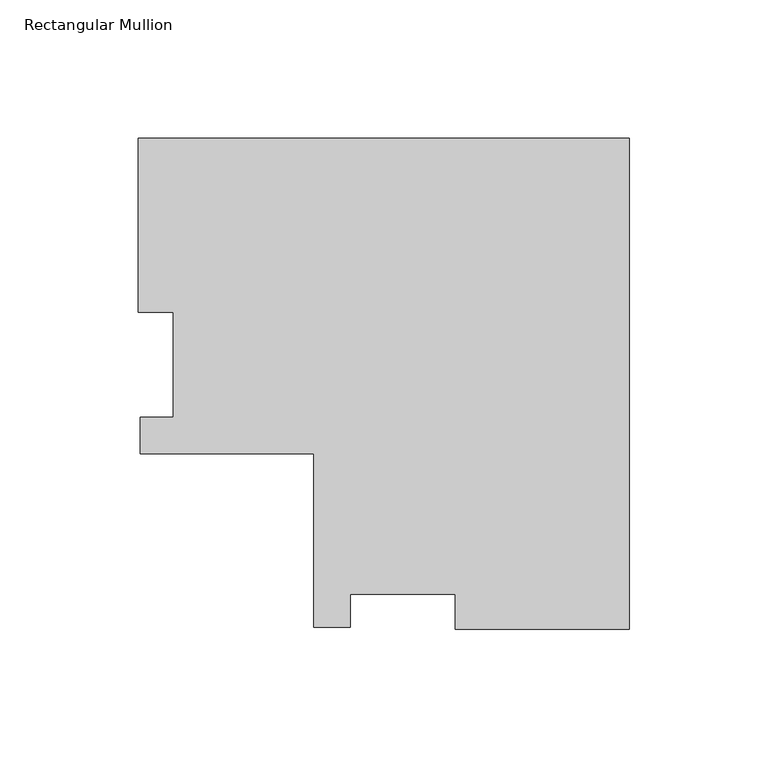
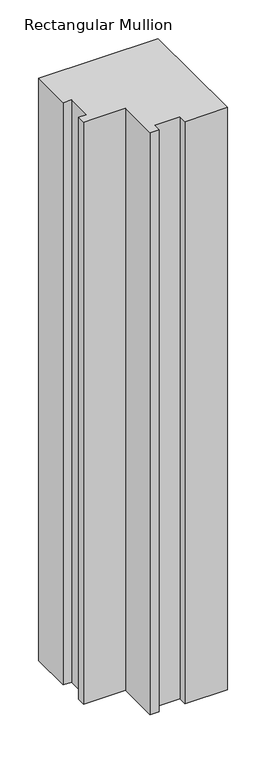
"""IFC4 building model written with IfcOpenShell, lengths in millimetres: member geometry, Rectangular Mullion."""

from ifc_helpers import new_model, si_unit, frame, origin, place, context, project, spatial, polyline, outline, extrude, source, transform, mapped, element, save


def rectangular_mullion_ccb4906d(model_context):
    return source(origin(), model_context, "Body", "SweptSolid", [
        extrude(outline(polyline([(-177.77968, 115.5779375), (0.0, 115.5779375), (0.0, -62.2017425), (-62.992, -62.2017425), (-62.992, -49.5025469), (-101.092, -49.5025469), (-101.092, -61.4143425), (-114.27968, -61.4143425), (-114.27968, 1.2982575), (-176.9922794, 1.2982575), (-176.9922794, 14.4859375), (-165.0804844, 14.4859375), (-165.0804844, 52.5859375), (-177.77968, 52.5859375), (-177.77968, 115.5779375)])), frame((0.0, 0.0, -914.4), z_axis=(0.0, 0.0, 1.0), x_axis=(1.0, 0.0, 0.0)), (0.0, 0.0, 1.0), 914.4),
    ])


if __name__ == "__main__":
    model = new_model("IFC4")
    model_context = context("Model", 3, world=origin())
    ifc_project = project(units=[si_unit("LENGTHUNIT", "METRE", prefix="MILLI")], contexts=[model_context])
    site = spatial("IfcSite", under=ifc_project)
    building = spatial("IfcBuilding", under=site)
    placement = place(None, origin())
    rectangular_mullion_shape = rectangular_mullion_ccb4906d(model_context)
    element("IfcMember", 1, ObjectType="Rectangular Mullion", at=placement, inside=building, context=model_context, shape_type="MappedRepresentation", body=[
        mapped(rectangular_mullion_shape, transform((0.0, 0.0, 0.0), x_axis=(1.0, 0.0, 0.0), y_axis=(0.0, 1.0, 0.0), z_axis=(0.0, 0.0, 1.0))),
    ])
    save(model, "model.ifc")
